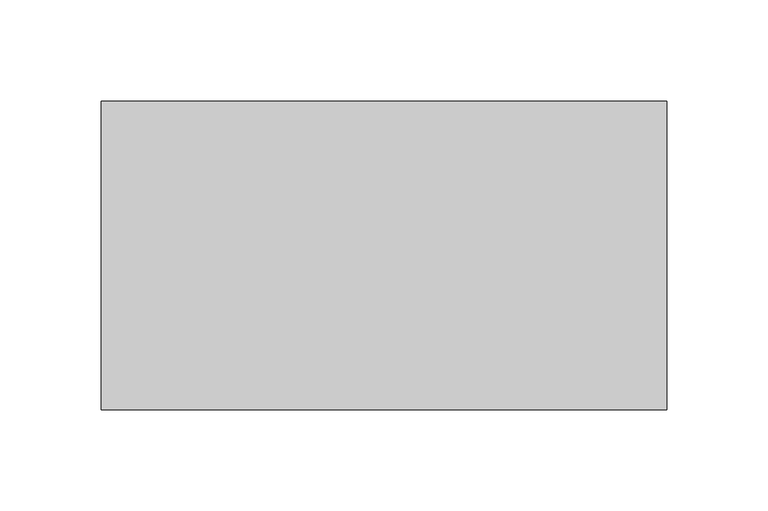
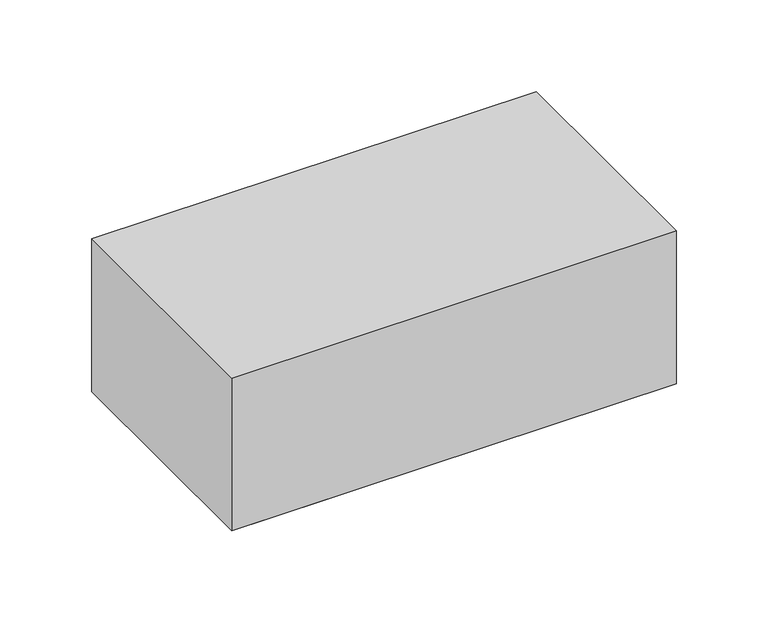
"""IFC4 building model written with IfcOpenShell, lengths in millimetres: proxy geometry."""

from ifc_helpers import new_model, si_unit, origin, origin_with_axes, place, context, project, spatial, polyline, outline, extrude, source, transform, mapped, element, save


def specialty_equipment_9fe0d71b(model_context):
    return source(origin(), model_context, "Body", "SweptSolid", [
        extrude(outline(polyline([(139.7, 76.2), (139.7, -76.2), (-139.7, -76.2), (-139.7, 76.2), (139.7, 76.2)])), origin_with_axes(), (0.0, 0.0, 1.0), 101.6),
        extrude(outline(polyline([(127.0, 76.2), (127.0, -76.2), (-127.0, -76.2), (-127.0, 76.2), (127.0, 76.2)])), origin_with_axes(), (0.0, 0.0, 1.0), 101.6),
    ])


if __name__ == "__main__":
    model = new_model("IFC4")
    model_context = context("Model", 3, world=origin())
    ifc_project = project(units=[si_unit("LENGTHUNIT", "METRE", prefix="MILLI")], contexts=[model_context])
    site = spatial("IfcSite", under=ifc_project)
    building = spatial("IfcBuilding", under=site)
    placement = place(None, origin())
    specialty_equipment_shape = specialty_equipment_9fe0d71b(model_context)
    element("IfcBuildingElementProxy", 1, Name="Specialty Equipment", at=placement, inside=building, context=model_context, shape_type="MappedRepresentation", body=[
        mapped(specialty_equipment_shape, transform((0.0, 0.0, 0.0), x_axis=(1.0, 0.0, 0.0), y_axis=(0.0, 1.0, 0.0), z_axis=(0.0, 0.0, 1.0))),
    ])
    save(model, "model.ifc")
